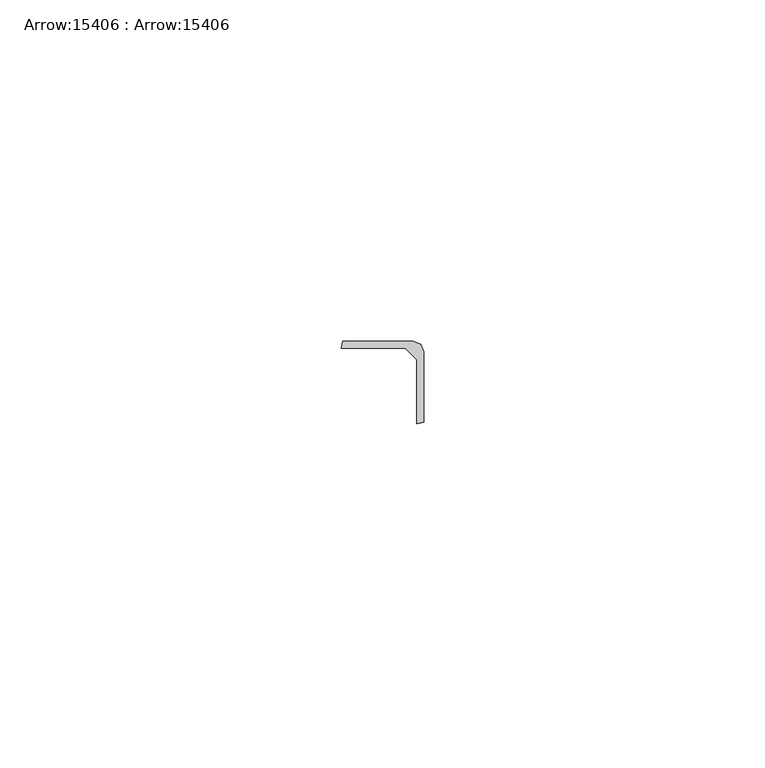
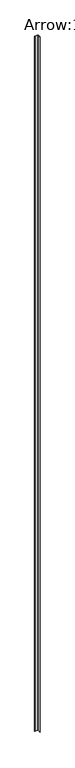
"""IFC4 building model written with IfcOpenShell, lengths in millimetres: column geometry, Arrow:15406 : Arrow:15406."""

from ifc_helpers import new_model, si_unit, frame, origin, place, context, project, spatial, polyline, outline, extrude, source, transform, mapped, element, save


def arrow_15406_arrow_15406_0ed3ed85(model_context):
    return source(origin(), model_context, "Body", "SweptSolid", [
        extrude(outline(polyline([(76305.2586922, -39366.0126572), (76305.2586922, -39376.3530988), (76304.2417016, -39376.6073528), (76304.2417016, -39367.2001834), (76302.5425686, -39365.5010504), (76293.1415968, -39365.5041492), (76293.3958508, -39364.4902574), (76303.726996, -39364.4902574), (76304.812211, -39364.9336398), (76305.2586922, -39366.0126572)])), frame((0.0, 0.0, 4445.001778), z_axis=(0.0, 0.0, 1.0), x_axis=(1.0, 0.0, 0.0)), (0.0, 0.0, 1.0), 2545.0498502),
        extrude(outline(polyline([(76305.2586922, -39366.0126572), (76305.2586922, -39376.3530988), (76304.2417016, -39376.6073528), (76304.2417016, -39367.2001834), (76302.5425686, -39365.5010504), (76293.1415968, -39365.5041492), (76293.3958508, -39364.4902574), (76303.726996, -39364.4902574), (76304.812211, -39364.9336398), (76305.2586922, -39366.0126572)])), frame((0.0, 0.0, 4445.001778), z_axis=(0.0, 0.0, 1.0), x_axis=(1.0, 0.0, 0.0)), (0.0, 0.0, 1.0), 2545.0498502),
    ])


if __name__ == "__main__":
    model = new_model("IFC4")
    model_context = context("Model", 3, world=origin())
    ifc_project = project(units=[si_unit("LENGTHUNIT", "METRE", prefix="MILLI")], contexts=[model_context])
    site = spatial("IfcSite", under=ifc_project)
    building = spatial("IfcBuilding", under=site)
    placement = place(None, origin())
    arrow_15406_arrow_15406_shape = arrow_15406_arrow_15406_0ed3ed85(model_context)
    element("IfcColumn", 1, ObjectType="Arrow:15406 : Arrow:15406", at=placement, inside=building, context=model_context, shape_type="MappedRepresentation", body=[
        mapped(arrow_15406_arrow_15406_shape, transform((0.0, 0.0, 0.0), x_axis=(1.0, 0.0, 0.0), y_axis=(0.0, 1.0, 0.0), z_axis=(0.0, 0.0, 1.0))),
    ])
    save(model, "model.ifc")
